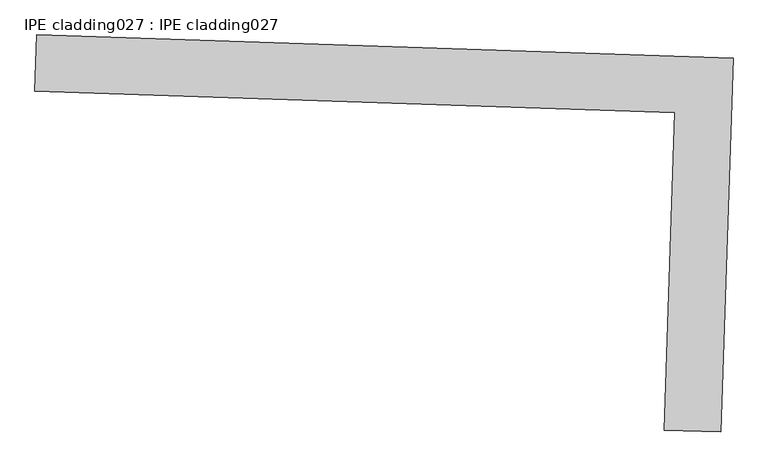
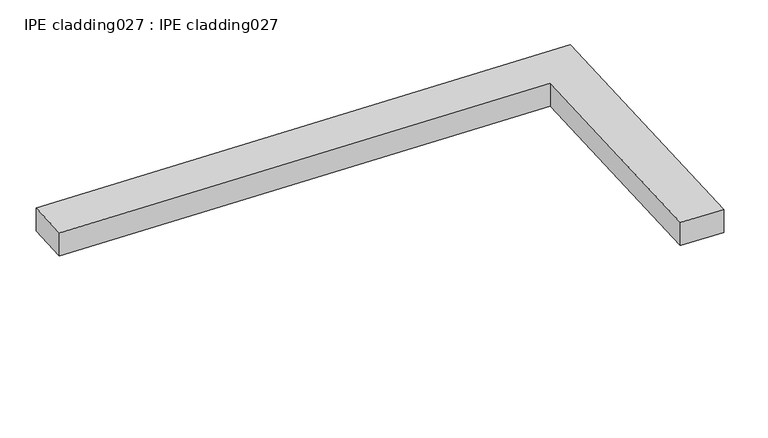
"""IFC4 building model written with IfcOpenShell, lengths in millimetres: proxy geometry, IPE cladding027 : IPE cladding027."""

from ifc_helpers import new_model, si_unit, frame, origin, place, context, project, spatial, polyline, outline, extrude, source, transform, mapped, element, save


def ipe_cladding027_ipe_cladding027_42fb1e08(model_context):
    return source(origin(), model_context, "Body", "SweptSolid", [
        extrude(outline(polyline([(17306.5855181, -14579.738673), (17309.5442107, -14490.887921), (18405.0054394, -14527.3663168), (18385.3954732, -15116.2616691), (18296.544721, -15113.3029767), (18313.195995, -14613.2583762), (17306.5855181, -14579.738673)])), frame((0.0, 0.0, 2969.575707), z_axis=(0.0, 0.0, 1.0), x_axis=(1.0, 0.0, 0.0)), (0.0, 0.0, 1.0), 50.8),
    ])


if __name__ == "__main__":
    model = new_model("IFC4")
    model_context = context("Model", 3, world=origin())
    ifc_project = project(units=[si_unit("LENGTHUNIT", "METRE", prefix="MILLI")], contexts=[model_context])
    site = spatial("IfcSite", under=ifc_project)
    building = spatial("IfcBuilding", under=site)
    placement = place(None, origin())
    ipe_cladding027_ipe_cladding027_shape = ipe_cladding027_ipe_cladding027_42fb1e08(model_context)
    element("IfcBuildingElementProxy", 1, Name="IPE cladding027 : IPE cladding027", ObjectType="IPE cladding027 : IPE cladding027", at=placement, inside=building, context=model_context, shape_type="MappedRepresentation", body=[
        mapped(ipe_cladding027_ipe_cladding027_shape, transform((0.0, 0.0, 0.0), x_axis=(1.0, 0.0, 0.0), y_axis=(0.0, 1.0, 0.0), z_axis=(0.0, 0.0, 1.0))),
    ])
    save(model, "model.ifc")
